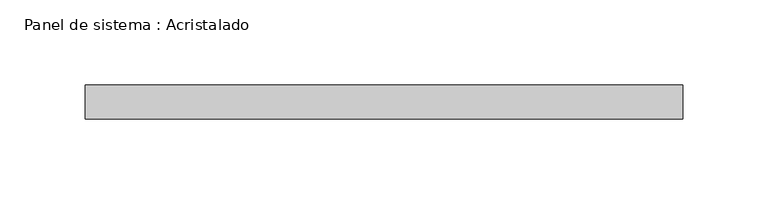
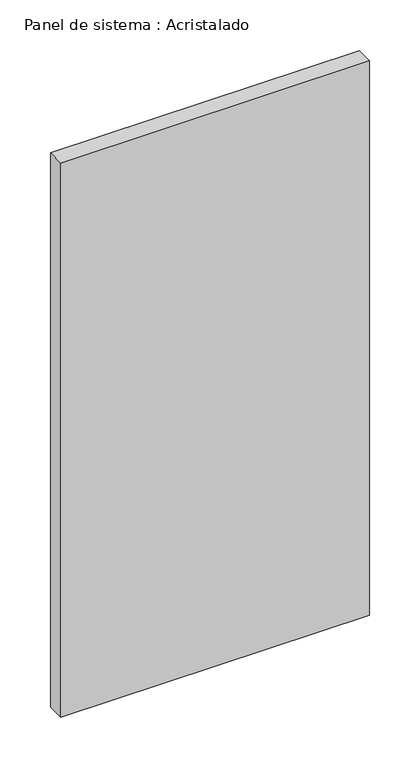
"""IFC4 building model written with IfcOpenShell, lengths in millimetres: plate geometry, Panel de sistema : Acristalado."""

from ifc_helpers import new_model, si_unit, origin, origin_with_axes, place, context, project, spatial, polyline, outline, extrude, source, transform, mapped, element, save


def panel_de_sistema_acristalado_9b7b482b(model_context):
    return source(origin(), model_context, "Body", "SweptSolid", [
        extrude(outline(polyline([(175.8333333, -10.0), (-175.8333333, -10.0), (-175.8333333, 10.0), (175.8333333, 10.0), (175.8333333, -10.0)])), origin_with_axes(), (0.0, 0.0, 1.0), 667.1037779),
    ])


if __name__ == "__main__":
    model = new_model("IFC4")
    model_context = context("Model", 3, world=origin())
    ifc_project = project(units=[si_unit("LENGTHUNIT", "METRE", prefix="MILLI")], contexts=[model_context])
    site = spatial("IfcSite", under=ifc_project)
    building = spatial("IfcBuilding", under=site)
    placement = place(None, origin())
    panel_de_sistema_acristalado_shape = panel_de_sistema_acristalado_9b7b482b(model_context)
    element("IfcPlate", 1, ObjectType="Panel de sistema : Acristalado", at=placement, inside=building, context=model_context, shape_type="MappedRepresentation", body=[
        mapped(panel_de_sistema_acristalado_shape, transform((0.0, 0.0, 0.0), x_axis=(1.0, 0.0, 0.0), y_axis=(0.0, 1.0, 0.0), z_axis=(0.0, 0.0, 1.0))),
    ])
    save(model, "model.ifc")
